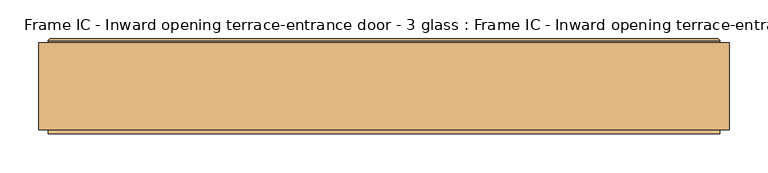
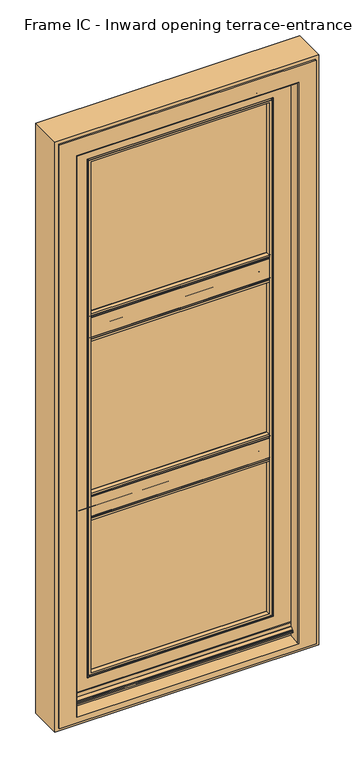
"""IFC4 building model written with IfcOpenShell, lengths in millimetres: door geometry, Frame IC - Inward opening terrace-entrance door - 3 glass : Frame IC - Inward opening terrace-entrance door - 3 glass."""

from ifc_helpers import new_model, si_unit, point, frame, frame_2d, origin, place, context, project, spatial, polyline, circle_curve, ellipse_curve, trimmed, segment, composite_curve, outline, extrude, source, transform, mapped, element, save
from ifc_brep_helpers import plane_surface, cylinder_surface, revolved_surface, advanced_brep


def frame_ic_inward_opening_terrace_entrance_door_3_glass_frame_be6dab0a(model_context):
    return source(origin(), model_context, "Body", "SolidModel", [
        extrude(outline(composite_curve([segment(polyline([(-75.0, 774.7548663), (-75.0, 681.2451337)]), True, "CONTINUOUS"), segment(trimmed(circle_curve(frame_2d((-78.0, 681.2451337)), 3.0), [point((-75.0, 681.2451337))], [point((-77.3762649, 678.3106909))], False, "CARTESIAN"), True, "CONTINUOUS"), segment(polyline([(-77.3762649, 678.3106909), (-85.7920883, 676.5218524)]), True, "CONTINUOUS"), segment(trimmed(circle_curve(frame_2d((-86.0, 677.5)), 1.0), [point((-85.7920883, 676.5218524))], [point((-87.0, 677.5))], False, "CARTESIAN"), True, "CONTINUOUS"), segment(polyline([(-87.0, 677.5), (-87.0, 676.5), (-90.0, 676.5), (-90.0, 694.8683537), (-138.0, 700.7620126), (-138.0, 676.5), (-139.3448353, 676.5), (-149.5, 679.6047454), (-149.5, 686.5358984)]), True, "CONTINUOUS"), segment(trimmed(circle_curve(frame_2d((-148.0, 686.5358984)), 1.5), [point((-149.5, 686.5358984))], [point((-148.75, 687.8349365))], False, "CARTESIAN"), True, "CONTINUOUS"), segment(trimmed(circle_curve(frame_2d((-150.0, 690.0)), 2.5), [point((-148.75, 687.8349365))], [point((-148.75, 692.1650635))], True, "CARTESIAN"), True, "CONTINUOUS"), segment(trimmed(circle_curve(frame_2d((-148.0, 693.4641016)), 1.5), [point((-148.75, 692.1650635))], [point((-149.5, 693.4641016))], False, "CARTESIAN"), True, "CONTINUOUS"), segment(polyline([(-149.5, 693.4641016), (-149.5, 762.5358984)]), True, "CONTINUOUS"), segment(trimmed(circle_curve(frame_2d((-148.0, 762.5358984)), 1.5), [point((-149.5, 762.5358984))], [point((-148.75, 763.8349365))], False, "CARTESIAN"), True, "CONTINUOUS"), segment(trimmed(circle_curve(frame_2d((-150.0, 766.0)), 2.5), [point((-148.75, 763.8349365))], [point((-148.75, 768.1650635))], True, "CARTESIAN"), True, "CONTINUOUS"), segment(trimmed(circle_curve(frame_2d((-148.0, 769.4641016)), 1.5), [point((-148.75, 768.1650635))], [point((-149.5, 769.4641016))], False, "CARTESIAN"), True, "CONTINUOUS"), segment(polyline([(-149.5, 769.4641016), (-149.5, 776.3952546), (-139.3448353, 779.5), (-138.0, 779.5), (-138.0, 755.2379874), (-90.0, 761.1316463), (-90.0, 779.5), (-87.0, 779.5), (-87.0, 778.5)]), True, "CONTINUOUS"), segment(trimmed(circle_curve(frame_2d((-86.0, 778.5)), 1.0), [point((-87.0, 778.5))], [point((-85.7920883, 779.4781476))], False, "CARTESIAN"), True, "CONTINUOUS"), segment(polyline([(-85.7920883, 779.4781476), (-77.3762649, 777.6893091)]), True, "CONTINUOUS"), segment(trimmed(circle_curve(frame_2d((-78.0, 774.7548663)), 3.0), [point((-77.3762649, 777.6893091))], [point((-75.0, 774.7548663))], False, "CARTESIAN"), True, "CONTINUOUS")], self_intersect=False)), frame((-304.0, 0.0, 0.0), z_axis=(1.0, 0.0, 0.0), x_axis=(0.0, 1.0, 0.0)), (0.0, 0.0, 1.0), 608.0),
        extrude(outline(composite_curve([segment(polyline([(-75.0, 1412.7548663), (-75.0, 1319.2451337)]), True, "CONTINUOUS"), segment(trimmed(circle_curve(frame_2d((-78.0, 1319.2451337)), 3.0), [point((-75.0, 1319.2451337))], [point((-77.3762649, 1316.3106909))], False, "CARTESIAN"), True, "CONTINUOUS"), segment(polyline([(-77.3762649, 1316.3106909), (-85.7920883, 1314.5218524)]), True, "CONTINUOUS"), segment(trimmed(circle_curve(frame_2d((-86.0, 1315.5)), 1.0), [point((-85.7920883, 1314.5218524))], [point((-87.0, 1315.5))], False, "CARTESIAN"), True, "CONTINUOUS"), segment(polyline([(-87.0, 1315.5), (-87.0, 1314.5), (-90.0, 1314.5), (-90.0, 1332.8683537), (-138.0, 1338.7620126), (-138.0, 1314.5), (-139.3448353, 1314.5), (-149.5, 1317.6047454), (-149.5, 1324.5358984)]), True, "CONTINUOUS"), segment(trimmed(circle_curve(frame_2d((-148.0, 1324.5358984)), 1.5), [point((-149.5, 1324.5358984))], [point((-148.75, 1325.8349365))], False, "CARTESIAN"), True, "CONTINUOUS"), segment(trimmed(circle_curve(frame_2d((-150.0, 1328.0)), 2.5), [point((-148.75, 1325.8349365))], [point((-148.75, 1330.1650635))], True, "CARTESIAN"), True, "CONTINUOUS"), segment(trimmed(circle_curve(frame_2d((-148.0, 1331.4641016)), 1.5), [point((-148.75, 1330.1650635))], [point((-149.5, 1331.4641016))], False, "CARTESIAN"), True, "CONTINUOUS"), segment(polyline([(-149.5, 1331.4641016), (-149.5, 1400.5358984)]), True, "CONTINUOUS"), segment(trimmed(circle_curve(frame_2d((-148.0, 1400.5358984)), 1.5), [point((-149.5, 1400.5358984))], [point((-148.75, 1401.8349365))], False, "CARTESIAN"), True, "CONTINUOUS"), segment(trimmed(circle_curve(frame_2d((-150.0, 1404.0)), 2.5), [point((-148.75, 1401.8349365))], [point((-148.75, 1406.1650635))], True, "CARTESIAN"), True, "CONTINUOUS"), segment(trimmed(circle_curve(frame_2d((-148.0, 1407.4641016)), 1.5), [point((-148.75, 1406.1650635))], [point((-149.5, 1407.4641016))], False, "CARTESIAN"), True, "CONTINUOUS"), segment(polyline([(-149.5, 1407.4641016), (-149.5, 1414.3952546), (-139.3448353, 1417.5), (-138.0, 1417.5), (-138.0, 1393.2379874), (-90.0, 1399.1316463), (-90.0, 1417.5), (-87.0, 1417.5), (-87.0, 1416.5)]), True, "CONTINUOUS"), segment(trimmed(circle_curve(frame_2d((-86.0, 1416.5)), 1.0), [point((-87.0, 1416.5))], [point((-85.7920883, 1417.4781476))], False, "CARTESIAN"), True, "CONTINUOUS"), segment(polyline([(-85.7920883, 1417.4781476), (-77.3762649, 1415.6893091)]), True, "CONTINUOUS"), segment(trimmed(circle_curve(frame_2d((-78.0, 1412.7548663)), 3.0), [point((-77.3762649, 1415.6893091))], [point((-75.0, 1412.7548663))], False, "CARTESIAN"), True, "CONTINUOUS")], self_intersect=False)), frame((-304.0, 0.0, 0.0), z_axis=(1.0, 0.0, 0.0), x_axis=(0.0, 1.0, 0.0)), (0.0, 0.0, 1.0), 608.0),
        advanced_brep(
        [(296.9926597, -139.5932909, 1952.9926597), (296.9926597, -139.5932909, 141.0073403), (300.2949184, -150.3944925, 137.7050816), (300.2949184, -150.3944925, 1956.2949184), (296.9926597, -138.3944925, 1952.9926597), (296.9926597, -138.3944925, 141.0073403), (315.4090274, -90.4055023, 1971.4090274), (315.4090274, -90.4055023, 122.5909726), (321.3013344, -138.3944925, 116.6986656), (321.3013344, -138.3944925, 1977.3013344), (-296.9926597, -139.5932909, 141.0073403), (-296.9926597, -139.5932909, 1952.9926597), (-300.2949184, -150.3944925, 1956.2949184), (-300.2949184, -150.3944925, 137.7050816), (-296.9926597, -138.3944925, 141.0073403), (-296.9926597, -138.3944925, 1952.9926597), (-315.4090274, -90.4055023, 122.5909726), (-315.4090274, -90.4055023, 1971.4090274), (-321.3013344, -138.3944925, 1977.3013344), (-321.3013344, -138.3944925, 116.6986656), (297.0406737, -87.2055023, 1953.0406737), (297.0406737, -87.2055023, 140.9593263), (297.0406737, -90.4055023, 140.9593263), (297.0406737, -90.4055023, 1953.0406737), (298.8106909, -77.7817672, 1954.8106909), (298.8106909, -77.7817672, 139.1893091), (297.0625261, -85.9975906, 140.9374739), (297.0625261, -85.9975906, 1953.0625261), (301.7451337, -75.4055023, 1957.7451337), (301.7451337, -75.4055023, 136.2548663), (-297.0406737, -87.2055023, 140.9593263), (-297.0406737, -87.2055023, 1953.0406737), (-297.0406737, -90.4055023, 1953.0406737), (-297.0406737, -90.4055023, 140.9593263), (-298.8106909, -77.7817672, 139.1893091), (-298.8106909, -77.7817672, 1954.8106909), (-297.0625261, -85.9975906, 1953.0625261), (-297.0625261, -85.9975906, 140.9374739), (-301.7451337, -75.4055023, 136.2548663), (-301.7451337, -75.4055023, 1957.7451337), (-399.9121488, -76.8192542, 38.0878512), (-399.9121488, -76.8192542, 2055.9121488), (-398.0, -75.4055023, 2054.0), (-398.0, -75.4055023, 40.0), (-399.5001156, -79.7926158, 38.4998844), (-399.5001156, -79.7926158, 2055.5001156), (-375.3208306, -138.4055023, 2031.3208306), (-391.0, -120.3834811, 2047.0), (-391.0, -120.3834811, 47.0), (-375.3208306, -138.4055023, 62.6791694), (399.9121488, -76.8192542, 2055.9121488), (398.0, -75.4055023, 2054.0), (399.5001156, -79.7926158, 2055.5001156), (375.3208306, -138.4055023, 2031.3208306), (391.0, -120.3834811, 2047.0), (-375.3208306, -150.3944925, 2031.3208306), (375.3208306, -150.3944925, 2031.3208306), (399.9121488, -76.8192542, 38.0878512), (398.0, -75.4055023, 40.0), (399.5001156, -79.7926158, 38.4998844), (375.3208306, -138.4055023, 62.6791694), (391.0, -120.3834811, 47.0), (-404.5001156, -81.2102522, 33.4998844), (-404.5001156, -81.2102522, 2060.5001156), (-404.5001156, -79.7926158, 2060.5001156), (-404.5001156, -79.7926158, 33.4998844), (-399.203249, -81.2102522, 2055.203249), (-399.203249, -81.2102522, 38.796751), (404.5001156, -81.2102522, 2060.5001156), (404.5001156, -79.7926158, 2060.5001156), (399.203249, -81.2102522, 2055.203249), (404.5001156, -81.2102522, 33.4998844), (404.5001156, -79.7926158, 33.4998844), (399.203249, -81.2102522, 38.796751), (-298.0406737, -87.2055023, 139.9593263), (-298.0406737, -87.2055023, 1954.0406737), (298.0406737, -87.2055023, 1954.0406737), (298.0406737, -87.2055023, 139.9593263), (375.3208306, -123.9638323, 50.1149077), (-375.3208306, -123.9638323, 50.1149077), (-307.2579784, -150.3944925, 130.7420216), (307.2579784, -150.3944925, 130.7420216), (307.2579784, -150.3944925, 1963.2579784), (-307.2579784, -150.3944925, 1963.2579784), (375.3208306, -160.3944925, 60.4377015), (-375.3208306, -160.3944925, 60.4377015), (-375.3208306, -159.9680695, 61.2568531), (375.3208306, -159.9680695, 61.2568531), (375.3208306, -160.3944925, 55.002476), (-375.3208306, -160.3944925, 55.002476), (375.3208306, -162.1944925, 56.9924509), (-375.3208306, -162.1944925, 56.9924509), (375.3208306, -162.1944925, 60.4377015), (-375.3208306, -162.1944925, 60.4377015), (375.3208306, -161.0005083, 62.731326), (-375.3208306, -161.0005083, 62.731326), (375.3208306, -152.6209154, 69.1983724), (-375.3208306, -152.6209154, 69.1983724), (375.3208306, -152.1944925, 70.017524), (-375.3208306, -152.1944925, 70.017524), (375.3208306, -152.1944925, 83.002476), (-375.3208306, -152.1944925, 83.002476), (375.3208306, -150.6944925, 84.502476), (-375.3208306, -150.6944925, 84.502476), (375.3208306, -150.3944925, 84.502476), (-375.3208306, -150.3944925, 84.502476), (375.3208306, -152.5151289, 50.1149077), (-375.3208306, -152.5151289, 50.1149077), (375.3208306, -152.5151289, 46.1106378), (-375.3208306, -152.5151289, 46.1106378), (375.3208306, -153.56673, 46.1106378), (-375.3208306, -153.56673, 46.1106378), (375.3208306, -153.56673, 50.1149077), (-375.3208306, -153.56673, 50.1149077), (375.3208306, -155.7944925, 50.1149077), (-375.3208306, -155.7944925, 50.1149077), (375.3208306, -156.7944925, 51.1149077), (-375.3208306, -156.7944925, 51.1149077), (375.3208306, -156.7944925, 63.7060974), (-375.3208306, -156.7944925, 63.7060974), (312.7057372, -149.6555023, 1968.7057372), (312.7057372, -149.6555023, 125.2942628), (313.8233689, -150.3944925, 124.1766311), (313.8233689, -150.3944925, 1969.8233689), (308.3756102, -149.6555023, 1964.3756102), (308.3756102, -149.6555023, 129.6243898), (-312.7057372, -149.6555023, 125.2942628), (-313.8233689, -150.3944925, 124.1766311), (-308.3756102, -149.6555023, 129.6243898), (-312.7057372, -149.6555023, 1968.7057372), (-313.8233689, -150.3944925, 1969.8233689), (-308.3756102, -149.6555023, 1964.3756102)],
        [
            (0, 1),
            (1, 2),
            (2, 3),
            (3, 0),
            (0, 4),
            (4, 5),
            (5, 1),
            (6, 7),
            (7, 8),
            (8, 9),
            (9, 6),
            (10, 11),
            (11, 12),
            (12, 13),
            (13, 10),
            (10, 14),
            (14, 15),
            (15, 11),
            (16, 17),
            (17, 18),
            (18, 19),
            (19, 16),
            (3, 12),
            (11, 0),
            (15, 4),
            (9, 18),
            (17, 6),
            (20, 21),
            (21, 22),
            (22, 23),
            (23, 20),
            (24, 25),
            (25, 26),
            (26, 27),
            (27, 24),
            (24, 28, ellipse_curve(frame((301.7451337, -78.4055023, 1957.7451337), z_axis=(0.7071067811865475, 0.0, -0.7071067811865475), x_axis=(0.7071067811865474, 0.0, 0.7071067811865476)), 4.2426407, 3.0)),
            (28, 29),
            (29, 25, ellipse_curve(frame((301.7451337, -78.4055023, 136.2548663), z_axis=(0.7071067811865475, 0.0, 0.7071067811865475), x_axis=(-0.7071067811865474, 0.0, 0.7071067811865476)), 4.2426407, 3.0)),
            (30, 31),
            (31, 32),
            (32, 33),
            (33, 30),
            (34, 35),
            (35, 36),
            (36, 37),
            (37, 34),
            (34, 38, ellipse_curve(frame((-301.7451337, -78.4055023, 136.2548663), z_axis=(-0.7071067811865475, 0.0, 0.7071067811865475), x_axis=(-0.7071067811865474, 0.0, -0.7071067811865476)), 4.2426407, 3.0)),
            (38, 39),
            (39, 35, ellipse_curve(frame((-301.7451337, -78.4055023, 1957.7451337), z_axis=(-0.7071067811865475, 0.0, -0.7071067811865475), x_axis=(0.7071067811865474, 0.0, -0.7071067811865476)), 4.2426407, 3.0)),
            (23, 32),
            (31, 20),
            (27, 36),
            (35, 24),
            (39, 28),
            (40, 41),
            (41, 42, ellipse_curve(frame((-398.0, -77.4055023, 2054.0), z_axis=(-0.7071067811865475, 0.0, -0.7071067811865475), x_axis=(0.7071067811865474, 0.0, -0.7071067811865476)), 2.8284271, 2.0)),
            (42, 43),
            (43, 40, ellipse_curve(frame((-398.0, -77.4055023, 40.0), z_axis=(-0.7071067811865475, 0.0, 0.7071067811865475), x_axis=(-0.7071067811865474, 0.0, -0.7071067811865476)), 2.8284271, 2.0)),
            (40, 44),
            (44, 45),
            (45, 41),
            (46, 47),
            (47, 48),
            (48, 49),
            (49, 46),
            (41, 50),
            (50, 51, ellipse_curve(frame((398.0, -77.4055023, 2054.0), z_axis=(-0.7071067811865475, 0.0, 0.7071067811865475), x_axis=(-0.7071067811865476, 0.0, -0.7071067811865474)), 2.8284271, 2.0)),
            (51, 42),
            (45, 52),
            (52, 50),
            (46, 53),
            (53, 54),
            (54, 47),
            (55, 56),
            (56, 53),
            (46, 55),
            (50, 57),
            (57, 58, ellipse_curve(frame((398.0, -77.4055023, 40.0), z_axis=(0.7071067811865475, 0.0, 0.7071067811865475), x_axis=(-0.7071067811865474, 0.0, 0.7071067811865476)), 2.8284271, 2.0)),
            (58, 51),
            (52, 59),
            (59, 57),
            (60, 61),
            (61, 54),
            (53, 60),
            (62, 63),
            (63, 64),
            (64, 65),
            (65, 62),
            (47, 66),
            (66, 67),
            (67, 48),
            (63, 68),
            (68, 69),
            (69, 64),
            (54, 70),
            (70, 66),
            (68, 71),
            (71, 72),
            (72, 69),
            (61, 73),
            (73, 70),
            (16, 7),
            (22, 33),
            (21, 30),
            (74, 75),
            (75, 76),
            (76, 77),
            (77, 74),
            (25, 34),
            (37, 26),
            (29, 38),
            (58, 43),
            (57, 40),
            (59, 44),
            (72, 65),
            (71, 62),
            (73, 67),
            (61, 48),
            (60, 78),
            (78, 79),
            (79, 49),
            (80, 81),
            (81, 82),
            (82, 83),
            (83, 80),
            (2, 13),
            (1, 10),
            (5, 14),
            (8, 19),
            (26, 77, ellipse_curve(frame((298.0406737, -86.2055023, 139.9593263), z_axis=(0.7071067811865475, 0.0, 0.7071067811865475), x_axis=(-0.7071067811865474, 0.0, 0.7071067811865476)), 1.4142136, 1.0)),
            (76, 27, ellipse_curve(frame((298.0406737, -86.2055023, 1954.0406737), z_axis=(0.7071067811865475, 0.0, -0.7071067811865475), x_axis=(0.7071067811865474, 0.0, 0.7071067811865476)), 1.4142136, 1.0)),
            (37, 74, ellipse_curve(frame((-298.0406737, -86.2055023, 139.9593263), z_axis=(0.7071067811865475, 0.0, -0.7071067811865475), x_axis=(0.7071067811865476, 0.0, 0.7071067811865474)), 1.4142136, 1.0)),
            (36, 75, ellipse_curve(frame((-298.0406737, -86.2055023, 1954.0406737), z_axis=(-0.7071067811865475, 0.0, -0.7071067811865475), x_axis=(0.7071067811865474, 0.0, -0.7071067811865476)), 1.4142136, 1.0)),
            (84, 85),
            (85, 86, circle_curve(frame((-375.3208306, -159.3944925, 60.4377015), z_axis=(-1.0, 0.0, 0.0), x_axis=(0.0, -1.0, 0.0)), 1.0)),
            (86, 87),
            (87, 84, circle_curve(frame((375.3208306, -159.3944925, 60.4377015), z_axis=(1.0, 0.0, 0.0), x_axis=(0.0, -1.0, 0.0)), 1.0)),
            (88, 89),
            (89, 85),
            (84, 88),
            (90, 91),
            (91, 89, circle_curve(frame((-375.3208306, -162.3944925, 55.002476), z_axis=(1.0, 0.0, 0.0), x_axis=(0.0, -1.0, 0.0)), 2.0)),
            (88, 90, circle_curve(frame((375.3208306, -162.3944925, 55.002476), z_axis=(-1.0, 0.0, 0.0), x_axis=(0.0, -1.0, 0.0)), 2.0)),
            (92, 93),
            (93, 91),
            (90, 92),
            (94, 95),
            (95, 93, circle_curve(frame((-375.3208306, -159.3944925, 60.4377015), z_axis=(1.0, 0.0, 0.0), x_axis=(0.0, -1.0, 0.0)), 2.8)),
            (92, 94, circle_curve(frame((375.3208306, -159.3944925, 60.4377015), z_axis=(-1.0, 0.0, 0.0), x_axis=(0.0, -1.0, 0.0)), 2.8)),
            (96, 97),
            (97, 95),
            (94, 96),
            (98, 99),
            (99, 97, circle_curve(frame((-375.3208306, -153.1944925, 70.017524), z_axis=(-1.0, 0.0, 0.0), x_axis=(0.0, -1.0, 0.0)), 1.0)),
            (96, 98, circle_curve(frame((375.3208306, -153.1944925, 70.017524), z_axis=(1.0, 0.0, 0.0), x_axis=(0.0, -1.0, 0.0)), 1.0)),
            (100, 101),
            (101, 99),
            (98, 100),
            (102, 103),
            (103, 101, circle_curve(frame((-375.3208306, -150.6944925, 83.002476), z_axis=(1.0, 0.0, 0.0), x_axis=(0.0, -1.0, 0.0)), 1.5)),
            (100, 102, circle_curve(frame((375.3208306, -150.6944925, 83.002476), z_axis=(-1.0, 0.0, 0.0), x_axis=(0.0, -1.0, 0.0)), 1.5)),
            (102, 104),
            (104, 105),
            (105, 103),
            (106, 107),
            (107, 79),
            (78, 106),
            (108, 109),
            (109, 107),
            (106, 108),
            (110, 111),
            (111, 109),
            (108, 110),
            (112, 113),
            (113, 111),
            (110, 112),
            (114, 115),
            (115, 113),
            (112, 114),
            (116, 117),
            (117, 115, circle_curve(frame((-375.3208306, -155.7944925, 51.1149077), z_axis=(1.0, 0.0, 0.0), x_axis=(0.0, -1.0, 0.0)), 1.0)),
            (114, 116, circle_curve(frame((375.3208306, -155.7944925, 51.1149077), z_axis=(-1.0, 0.0, 0.0), x_axis=(0.0, -1.0, 0.0)), 1.0)),
            (118, 119),
            (119, 117),
            (116, 118),
            (86, 119),
            (118, 87),
            (56, 104),
            (105, 55),
            (120, 121),
            (121, 122, ellipse_curve(frame((314.0047753, -148.9055023, 123.9952247), z_axis=(0.7071067811865475, 0.0, 0.7071067811865475), x_axis=(-0.7071067811865474, 0.0, 0.7071067811865476)), 2.1213203, 1.5)),
            (122, 123),
            (123, 120, ellipse_curve(frame((314.0047753, -148.9055023, 1970.0047753), z_axis=(0.7071067811865475, 0.0, -0.7071067811865475), x_axis=(0.7071067811865474, 0.0, 0.7071067811865476)), 2.1213203, 1.5)),
            (120, 124, ellipse_curve(frame((310.5406737, -150.9055023, 1966.5406737), z_axis=(-0.7071067811865475, 0.0, 0.7071067811865475), x_axis=(-0.7071067811865474, 0.0, -0.7071067811865476)), 3.5355339, 2.5)),
            (124, 125),
            (125, 121, ellipse_curve(frame((310.5406737, -150.9055023, 127.4593263), z_axis=(-0.7071067811865475, 0.0, -0.7071067811865475), x_axis=(0.7071067811865474, 0.0, -0.7071067811865476)), 3.5355339, 2.5)),
            (81, 125, ellipse_curve(frame((307.0765721, -148.9055023, 130.9234279), z_axis=(0.7071067811865475, 0.0, 0.7071067811865475), x_axis=(-0.7071067811865474, 0.0, 0.7071067811865476)), 2.1213203, 1.5)),
            (124, 82, ellipse_curve(frame((307.0765721, -148.9055023, 1963.0765721), z_axis=(0.7071067811865475, 0.0, -0.7071067811865475), x_axis=(0.7071067811865474, 0.0, 0.7071067811865476)), 2.1213203, 1.5)),
            (121, 126),
            (126, 127, ellipse_curve(frame((-314.0047753, -148.9055023, 123.9952247), z_axis=(0.7071067811865475, 0.0, -0.7071067811865475), x_axis=(0.7071067811865476, 0.0, 0.7071067811865474)), 2.1213203, 1.5)),
            (127, 122),
            (125, 128),
            (128, 126, ellipse_curve(frame((-310.5406737, -150.9055023, 127.4593263), z_axis=(-0.7071067811865475, 0.0, 0.7071067811865475), x_axis=(-0.7071067811865476, 0.0, -0.7071067811865474)), 3.5355339, 2.5)),
            (80, 128, ellipse_curve(frame((-307.0765721, -148.9055023, 130.9234279), z_axis=(0.7071067811865475, 0.0, -0.7071067811865475), x_axis=(0.7071067811865476, 0.0, 0.7071067811865474)), 2.1213203, 1.5)),
            (126, 129),
            (129, 130, ellipse_curve(frame((-314.0047753, -148.9055023, 1970.0047753), z_axis=(-0.7071067811865475, 0.0, -0.7071067811865475), x_axis=(0.7071067811865474, 0.0, -0.7071067811865476)), 2.1213203, 1.5)),
            (130, 127),
            (128, 131),
            (131, 129, ellipse_curve(frame((-310.5406737, -150.9055023, 1966.5406737), z_axis=(0.7071067811865475, 0.0, 0.7071067811865475), x_axis=(-0.7071067811865474, 0.0, 0.7071067811865476)), 3.5355339, 2.5)),
            (83, 131, ellipse_curve(frame((-307.0765721, -148.9055023, 1963.0765721), z_axis=(-0.7071067811865475, 0.0, -0.7071067811865475), x_axis=(0.7071067811865474, 0.0, -0.7071067811865476)), 2.1213203, 1.5)),
            (130, 123),
            (129, 120),
            (131, 124),
        ],
        [
            plane_surface(frame((300.2949184, -150.3944925, 1956.2949184), z_axis=(-0.9563047559629781, -0.2923717047229243, 0.0), x_axis=(0.0, 0.0, -1.0))),
            plane_surface(frame((296.9926597, -139.5932909, 1952.9926597), z_axis=(-1.0, 0.0, 0.0), x_axis=(0.0, 0.0, -1.0))),
            plane_surface(frame((321.3013344, -138.3944925, 1977.3013344), z_axis=(-0.9925461516413226, -0.12186934340514295, 0.0), x_axis=(0.0, 0.0, -1.0))),
            plane_surface(frame((-300.2949184, -150.3944925, 137.7050816), z_axis=(0.9563047559629781, -0.2923717047229243, 0.0), x_axis=(0.0, 0.0, 1.0))),
            plane_surface(frame((-296.9926597, -139.5932909, 141.0073403), z_axis=(1.0, 0.0, 0.0), x_axis=(0.0, 0.0, 1.0))),
            plane_surface(frame((-321.3013344, -138.3944925, 116.6986656), z_axis=(0.9925461516413226, -0.12186934340514295, 0.0), x_axis=(0.0, 0.0, 1.0))),
            plane_surface(frame((-300.2949184, -150.3944925, 1956.2949184), z_axis=(0.0, -0.2923717047229243, -0.9563047559629781), x_axis=(1.0, 0.0, 0.0))),
            plane_surface(frame((-296.9926597, -139.5932909, 1952.9926597), z_axis=(0.0, 0.0, -1.0), x_axis=(1.0, 0.0, 0.0))),
            plane_surface(frame((-321.3013344, -138.3944925, 1977.3013344), z_axis=(0.0, -0.12186934340514295, -0.9925461516413226), x_axis=(1.0, 0.0, 0.0))),
            plane_surface(frame((297.0406737, -90.4055023, 1953.0406737), z_axis=(-1.0, 0.0, 0.0), x_axis=(0.0, 0.0, -1.0))),
            plane_surface(frame((297.0625261, -85.9975906, 1953.0625261), z_axis=(-0.9781030866126861, 0.20812100316579396, 0.0), x_axis=(0.0, 0.0, -1.0))),
            cylinder_surface(frame((301.7451337, -78.4055023, 2047.0), z_axis=(0.0, 0.0, 1.0), x_axis=(0.0, 1.0, 0.0)), 3.0),
            plane_surface(frame((-297.0406737, -90.4055023, 140.9593263), z_axis=(1.0, 0.0, 0.0), x_axis=(0.0, 0.0, 1.0))),
            plane_surface(frame((-297.0625261, -85.9975906, 140.9374739), z_axis=(0.9781030866126861, 0.20812100316579396, 0.0), x_axis=(0.0, 0.0, 1.0))),
            cylinder_surface(frame((-301.7451337, -78.4055023, 47.0), z_axis=(0.0, 0.0, -1.0), x_axis=(0.0, 1.0, 0.0)), 3.0),
            plane_surface(frame((-297.0406737, -90.4055023, 1953.0406737), z_axis=(0.0, 0.0, -1.0), x_axis=(1.0, 0.0, 0.0))),
            plane_surface(frame((-297.0625261, -85.9975906, 1953.0625261), z_axis=(0.0, 0.20812100316579396, -0.9781030866126861), x_axis=(1.0, 0.0, 0.0))),
            cylinder_surface(frame((-391.0, -78.4055023, 1957.7451337), z_axis=(-1.0, 0.0, 0.0), x_axis=(0.0, 1.0, 0.0)), 3.0),
            cylinder_surface(frame((-398.0, -77.4055023, 47.0), z_axis=(0.0, 0.0, -1.0), x_axis=(0.0, 1.0, 0.0)), 2.0),
            plane_surface(frame((-399.9121488, -76.8192542, 38.0878512), z_axis=(-0.9905346082141253, -0.13726321404545822, 0.0), x_axis=(0.0, 0.0, 1.0))),
            plane_surface(frame((-391.0, -120.3834811, 47.0), z_axis=(-0.7544428510124654, -0.6563657399317723, 0.0), x_axis=(0.0, 0.0, 1.0))),
            cylinder_surface(frame((-391.0, -77.4055023, 2054.0), z_axis=(-1.0, 0.0, 0.0), x_axis=(0.0, 1.0, 0.0)), 2.0),
            plane_surface(frame((-399.9121488, -76.8192542, 2055.9121488), z_axis=(0.0, -0.13726321404545822, 0.9905346082141253), x_axis=(1.0, 0.0, 0.0))),
            plane_surface(frame((-391.0, -120.3834811, 2047.0), z_axis=(0.0, -0.6563657399317723, 0.7544428510124654), x_axis=(1.0, 0.0, 0.0))),
            plane_surface(frame((-375.3208306, -138.4055023, 2031.3208306), z_axis=(0.0, 0.0, 1.0), x_axis=(1.0, 0.0, 0.0))),
            cylinder_surface(frame((398.0, -77.4055023, 2047.0), z_axis=(0.0, 0.0, 1.0), x_axis=(0.0, 1.0, 0.0)), 2.0),
            plane_surface(frame((399.9121488, -76.8192542, 2055.9121488), z_axis=(0.9905346082141253, -0.13726321404545822, 0.0), x_axis=(0.0, 0.0, -1.0))),
            plane_surface(frame((391.0, -120.3834811, 2047.0), z_axis=(0.7544428510124654, -0.6563657399317723, 0.0), x_axis=(0.0, 0.0, -1.0))),
            plane_surface(frame((-404.5001156, -79.7926158, 33.4998844), z_axis=(-1.0, 0.0, 0.0), x_axis=(0.0, 0.0, 1.0))),
            plane_surface(frame((-399.203249, -81.2102522, 38.796751), z_axis=(-0.9787695724707861, -0.20496371387480936, 0.0), x_axis=(0.0, 0.0, 1.0))),
            plane_surface(frame((-404.5001156, -79.7926158, 2060.5001156), z_axis=(0.0, 0.0, 1.0), x_axis=(1.0, 0.0, 0.0))),
            plane_surface(frame((-399.203249, -81.2102522, 2055.203249), z_axis=(0.0, -0.20496371387480936, 0.9787695724707861), x_axis=(1.0, 0.0, 0.0))),
            plane_surface(frame((404.5001156, -79.7926158, 2060.5001156), z_axis=(1.0, 0.0, 0.0), x_axis=(0.0, 0.0, -1.0))),
            plane_surface(frame((399.203249, -81.2102522, 2055.203249), z_axis=(0.9787695724707861, -0.20496371387480936, 0.0), x_axis=(0.0, 0.0, -1.0))),
            plane_surface(frame((315.4090274, -90.4055023, 122.5909726), z_axis=(0.0, -1.0, 0.0), x_axis=(-1.0, 0.0, 0.0))),
            plane_surface(frame((297.0406737, -90.4055023, 140.9593263), z_axis=(0.0, 0.0, 1.0), x_axis=(-1.0, 0.0, 0.0))),
            plane_surface(frame((297.0406737, -87.2055023, 140.9593263), z_axis=(0.0, 1.0, 0.0), x_axis=(-1.0, 0.0, 0.0))),
            plane_surface(frame((297.0625261, -85.9975906, 140.9374739), z_axis=(0.0, 0.20812100316579396, 0.9781030866126861), x_axis=(-1.0, 0.0, 0.0))),
            cylinder_surface(frame((391.0, -78.4055023, 136.2548663), z_axis=(1.0, 0.0, 0.0), x_axis=(0.0, 1.0, 0.0)), 3.0),
            plane_surface(frame((301.7451337, -75.4055023, 136.2548663), z_axis=(0.0, 1.0, 0.0), x_axis=(-1.0, 0.0, 0.0))),
            cylinder_surface(frame((391.0, -77.4055023, 40.0), z_axis=(1.0, 0.0, 0.0), x_axis=(0.0, 1.0, 0.0)), 2.0),
            plane_surface(frame((399.9121488, -76.8192542, 38.0878512), z_axis=(0.0, -0.13726321404545822, -0.9905346082141253), x_axis=(-1.0, 0.0, 0.0))),
            plane_surface(frame((399.5001156, -79.7926158, 38.4998844), z_axis=(0.0, 1.0, 0.0), x_axis=(-1.0, 0.0, 0.0))),
            plane_surface(frame((404.5001156, -79.7926158, 33.4998844), z_axis=(0.0, 0.0, -1.0), x_axis=(-1.0, 0.0, 0.0))),
            plane_surface(frame((404.5001156, -81.2102522, 33.4998844), z_axis=(0.0, -1.0, 0.0), x_axis=(-1.0, 0.0, 0.0))),
            plane_surface(frame((399.203249, -81.2102522, 38.796751), z_axis=(0.0, -0.20496371387480936, -0.9787695724707861), x_axis=(-1.0, 0.0, 0.0))),
            plane_surface(frame((391.0, -120.3834811, 47.0), z_axis=(0.0, -0.6563657399317723, -0.7544428510124654), x_axis=(-1.0, 0.0, 0.0))),
            plane_surface(frame((307.2579784, -150.3944925, 130.7420216), z_axis=(0.0, -1.0, 0.0), x_axis=(-1.0, 0.0, 0.0))),
            plane_surface(frame((300.2949184, -150.3944925, 137.7050816), z_axis=(0.0, -0.2923717047229243, 0.9563047559629781), x_axis=(-1.0, 0.0, 0.0))),
            plane_surface(frame((296.9926597, -139.5932909, 141.0073403), z_axis=(0.0, 0.0, 1.0), x_axis=(-1.0, 0.0, 0.0))),
            plane_surface(frame((296.9926597, -138.3944925, 141.0073403), z_axis=(0.0, 1.0, 0.0), x_axis=(-1.0, 0.0, 0.0))),
            plane_surface(frame((321.3013344, -138.3944925, 116.6986656), z_axis=(0.0, -0.12186934340514295, 0.9925461516413226), x_axis=(-1.0, 0.0, 0.0))),
            cylinder_surface(frame((298.0406737, -86.2055023, 2047.0), z_axis=(0.0, 0.0, 1.0), x_axis=(0.0, 1.0, 0.0)), 1.0),
            cylinder_surface(frame((391.0, -86.2055023, 139.9593263), z_axis=(1.0, 0.0, 0.0), x_axis=(0.0, 1.0, 0.0)), 1.0),
            cylinder_surface(frame((-298.0406737, -86.2055023, 47.0), z_axis=(0.0, 0.0, -1.0), x_axis=(0.0, 1.0, 0.0)), 1.0),
            cylinder_surface(frame((-391.0, -86.2055023, 1954.0406737), z_axis=(-1.0, 0.0, 0.0), x_axis=(0.0, 1.0, 0.0)), 1.0),
            revolved_surface(polyline([(-375.3208306, -160.3944925, 60.4377015), (375.3208306, -160.3944925, 60.4377015)]), (-375.3208306, -159.3944925, 60.4377015), (-1.0, 0.0, 0.0)),
            plane_surface(frame((375.3208306, -160.3944925, 60.4377015), z_axis=(0.0, 1.0, 0.0), x_axis=(-1.0, 0.0, 0.0))),
            cylinder_surface(frame((-375.3208306, -162.3944925, 55.002476), z_axis=(1.0, 0.0, 0.0), x_axis=(0.0, -1.0, 0.0)), 2.0),
            plane_surface(frame((375.3208306, -162.1944925, 56.9924509), z_axis=(0.0, -1.0, 0.0), x_axis=(-1.0, 0.0, 0.0))),
            cylinder_surface(frame((-375.3208306, -159.3944925, 60.4377015), z_axis=(1.0, 0.0, 0.0), x_axis=(0.0, -1.0, 0.0)), 2.8),
            plane_surface(frame((375.3208306, -161.0005083, 62.731326), z_axis=(0.0, -0.6109686302761946, 0.7916548066035036), x_axis=(-1.0, 0.0, 0.0))),
            revolved_surface(polyline([(-375.3208306, -154.1944925, 70.017524), (375.3208306, -154.1944925, 70.017524)]), (-375.3208306, -153.1944925, 70.017524), (-1.0, 0.0, 0.0)),
            plane_surface(frame((375.3208306, -152.1944925, 70.017524), z_axis=(0.0, -1.0, 0.0), x_axis=(-1.0, 0.0, 0.0))),
            cylinder_surface(frame((-375.3208306, -150.6944925, 83.002476), z_axis=(1.0, 0.0, 0.0), x_axis=(0.0, -1.0, 0.0)), 1.5),
            plane_surface(frame((375.3208306, -150.6944925, 84.502476), z_axis=(0.0, 0.0, 1.0), x_axis=(-1.0, 0.0, 0.0))),
            plane_surface(frame((375.3208306, -123.9638323, 50.1149077), z_axis=(0.0, 0.0, -1.0), x_axis=(-1.0, 0.0, 0.0))),
            plane_surface(frame((375.3208306, -152.5151289, 50.1149077), z_axis=(0.0, 1.0, 0.0), x_axis=(-1.0, 0.0, 0.0))),
            plane_surface(frame((375.3208306, -152.5151289, 46.1106378), z_axis=(0.0, 0.0, -1.0), x_axis=(-1.0, 0.0, 0.0))),
            plane_surface(frame((375.3208306, -153.56673, 46.1106378), z_axis=(0.0, -1.0, 0.0), x_axis=(-1.0, 0.0, 0.0))),
            plane_surface(frame((375.3208306, -153.56673, 50.1149077), z_axis=(0.0, 0.0, -1.0), x_axis=(-1.0, 0.0, 0.0))),
            cylinder_surface(frame((-375.3208306, -155.7944925, 51.1149077), z_axis=(1.0, 0.0, 0.0), x_axis=(0.0, -1.0, 0.0)), 1.0),
            plane_surface(frame((375.3208306, -156.7944925, 51.1149077), z_axis=(0.0, -1.0, 0.0), x_axis=(-1.0, 0.0, 0.0))),
            plane_surface(frame((375.3208306, -156.7944925, 63.7060974), z_axis=(0.0, 0.6109686302761956, -0.7916548066035027), x_axis=(-1.0, 0.0, 0.0))),
            plane_surface(frame((375.3208306, -160.3944925, 60.4377015), z_axis=(1.0, 0.0, 0.0), x_axis=(0.0, 0.0, -1.0))),
            plane_surface(frame((-375.3208306, -160.3944925, 60.4377015), z_axis=(-1.0, 0.0, 0.0), x_axis=(0.0, 0.0, 1.0))),
            cylinder_surface(frame((314.0047753, -148.9055023, 2047.0), z_axis=(0.0, 0.0, 1.0), x_axis=(0.0, 1.0, 0.0)), 1.5),
            revolved_surface(polyline([(310.5406737, -148.4055023, 124.95932630419497), (310.5406737, -148.4055023, 1969.040673695805)]), (310.5406737, -150.9055023, 2047.0), (0.0, 0.0, -1.0)),
            cylinder_surface(frame((307.0765721, -148.9055023, 2047.0), z_axis=(0.0, 0.0, 1.0), x_axis=(0.0, 1.0, 0.0)), 1.5),
            cylinder_surface(frame((391.0, -148.9055023, 123.9952247), z_axis=(1.0, 0.0, 0.0), x_axis=(0.0, 1.0, 0.0)), 1.5),
            revolved_surface(polyline([(-313.040673695805, -148.4055023, 127.4593263), (313.0406736958049, -148.4055023, 127.4593263)]), (391.0, -150.9055023, 127.4593263), (-1.0, 0.0, 0.0)),
            cylinder_surface(frame((391.0, -148.9055023, 130.9234279), z_axis=(1.0, 0.0, 0.0), x_axis=(0.0, 1.0, 0.0)), 1.5),
            cylinder_surface(frame((-314.0047753, -148.9055023, 47.0), z_axis=(0.0, 0.0, -1.0), x_axis=(0.0, 1.0, 0.0)), 1.5),
            revolved_surface(polyline([(-310.5406737, -148.4055023, 1969.040673695805), (-310.5406737, -148.4055023, 124.95932630419509)]), (-310.5406737, -150.9055023, 47.0), (0.0, 0.0, 1.0)),
            cylinder_surface(frame((-307.0765721, -148.9055023, 47.0), z_axis=(0.0, 0.0, -1.0), x_axis=(0.0, 1.0, 0.0)), 1.5),
            plane_surface(frame((-375.3208306, -150.3944925, 2031.3208306), z_axis=(0.0, -1.0, 0.0), x_axis=(1.0, 0.0, 0.0))),
            cylinder_surface(frame((-391.0, -148.9055023, 1970.0047753), z_axis=(-1.0, 0.0, 0.0), x_axis=(0.0, 1.0, 0.0)), 1.5),
            revolved_surface(polyline([(313.040673695805, -148.4055023, 1966.5406737), (-313.0406736958049, -148.4055023, 1966.5406737)]), (-391.0, -150.9055023, 1966.5406737), (1.0, 0.0, 0.0)),
            cylinder_surface(frame((-391.0, -148.9055023, 1963.0765721), z_axis=(-1.0, 0.0, 0.0), x_axis=(0.0, 1.0, 0.0)), 1.5),
        ],
        [
            (0, [[1, 2, 3, 4]]),
            (1, [[5, 6, 7, -1]]),
            (2, [[8, 9, 10, 11]]),
            (3, [[12, 13, 14, 15]]),
            (4, [[16, 17, 18, -12]]),
            (5, [[19, 20, 21, 22]]),
            (6, [[23, -13, 24, -4]]),
            (7, [[-24, -18, 25, -5]]),
            (8, [[26, -20, 27, -11]]),
            (9, [[28, 29, 30, 31]]),
            (10, [[32, 33, 34, 35]]),
            (11, [[36, 37, 38, -32]]),
            (12, [[39, 40, 41, 42]]),
            (13, [[43, 44, 45, 46]]),
            (14, [[47, 48, 49, -43]]),
            (15, [[50, -40, 51, -31]]),
            (16, [[52, -44, 53, -35]]),
            (17, [[-53, -49, 54, -36]]),
            (18, [[55, 56, 57, 58]]),
            (19, [[59, 60, 61, -55]]),
            (20, [[62, 63, 64, 65]]),
            (21, [[66, 67, 68, -56]]),
            (22, [[69, 70, -66, -61]]),
            (23, [[71, 72, 73, -62]]),
            (24, [[74, 75, -71, 76]]),
            (25, [[77, 78, 79, -67]]),
            (26, [[80, 81, -77, -70]]),
            (27, [[82, 83, -72, 84]]),
            (28, [[85, 86, 87, 88]]),
            (29, [[89, 90, 91, -63]]),
            (30, [[92, 93, 94, -86]]),
            (31, [[95, 96, -89, -73]]),
            (32, [[97, 98, 99, -93]]),
            (33, [[100, 101, -95, -83]]),
            (34, [[-27, -19, 102, -8], [103, -41, -50, -30]]),
            (35, [[104, -42, -103, -29]]),
            (36, [[105, 106, 107, 108], [-51, -39, -104, -28]]),
            (37, [[109, -46, 110, -33]]),
            (38, [[111, -47, -109, -38]]),
            (39, [[-68, -79, 112, -57], [-54, -48, -111, -37]]),
            (40, [[-112, -78, 113, -58]]),
            (41, [[-113, -81, 114, -59]]),
            (42, [[-94, -99, 115, -87], [-114, -80, -69, -60]]),
            (43, [[-115, -98, 116, -88]]),
            (44, [[-116, -97, -92, -85], [-96, -101, 117, -90]]),
            (45, [[-117, -100, 118, -91]]),
            (46, [[-118, -82, 119, 120, 121, -64]]),
            (47, [[122, 123, 124, 125], [126, -14, -23, -3]]),
            (48, [[127, -15, -126, -2]]),
            (49, [[128, -16, -127, -7]]),
            (50, [[129, -21, -26, -10], [-25, -17, -128, -6]]),
            (51, [[-102, -22, -129, -9]]),
            (52, [[130, -107, 131, -34]]),
            (53, [[-130, -110, 132, -108]]),
            (54, [[133, -105, -132, -45]]),
            (55, [[-131, -106, -133, -52]]),
            (56, [[134, 135, 136, 137]]),
            (57, [[138, 139, -134, 140]]),
            (58, [[141, 142, -138, 143]]),
            (59, [[144, 145, -141, 146]]),
            (60, [[147, 148, -144, 149]]),
            (61, [[150, 151, -147, 152]]),
            (62, [[153, 154, -150, 155]]),
            (63, [[156, 157, -153, 158]]),
            (64, [[159, 160, -156, 161]]),
            (65, [[162, 163, 164, -159]]),
            (66, [[165, 166, -120, 167]]),
            (67, [[168, 169, -165, 170]]),
            (68, [[171, 172, -168, 173]]),
            (69, [[174, 175, -171, 176]]),
            (70, [[177, 178, -174, 179]]),
            (71, [[180, 181, -177, 182]]),
            (72, [[183, 184, -180, 185]]),
            (73, [[-136, 186, -183, 187]]),
            (74, [[-187, -185, -182, -179, -176, -173, -170, -167, -119, -84, -75, 188, -162, -161, -158, -155, -152, -149, -146, -143, -140, -137]]),
            (75, [[-135, -139, -142, -145, -148, -151, -154, -157, -160, -164, 189, -76, -65, -121, -166, -169, -172, -175, -178, -181, -184, -186]]),
            (76, [[190, 191, 192, 193]]),
            (77, [[194, 195, 196, -190]]),
            (78, [[197, -195, 198, -123]]),
            (79, [[199, 200, 201, -191]]),
            (80, [[202, 203, -199, -196]]),
            (81, [[204, -202, -197, -122]]),
            (82, [[205, 206, 207, -200]]),
            (83, [[208, 209, -205, -203]]),
            (84, [[210, -208, -204, -125]]),
            (85, [[-189, -163, -188, -74], [-201, -207, 211, -192]]),
            (86, [[-211, -206, 212, -193]]),
            (87, [[-212, -209, 213, -194]]),
            (88, [[-198, -213, -210, -124]]),
        ],
    ),
        extrude(outline(polyline([(367.9491592, -90.4055023), (367.9491592, -138.4055023), (-367.9491592, -138.4055023), (-367.9491592, -90.4055023), (367.9491592, -90.4055023)])), frame((0.0, 0.0, 76.0508408), z_axis=(0.0, 0.0, 1.0), x_axis=(1.0, 0.0, 0.0)), (0.0, 0.0, 1.0), 1947.8983184),
        advanced_brep(
        [(-406.7857488, -72.0, 12.0), (-406.7857488, -79.745519, 12.0), (-406.7857488, -79.745519, 31.4059255), (-406.7857488, -72.0, 31.0), (408.8540454, -72.0, 31.0), (408.8540454, -72.0, 12.0), (-401.6568628, -121.5169433, 33.595073), (-385.5883815, -135.0, 34.3016901), (385.5883815, -135.0, 34.3016901), (401.6568628, -121.5169433, 33.595073), (407.4133163, -74.634392, 31.1380626), (408.8540454, -72.4235859, 31.0221992), (-401.6568628, -121.5169433, 2057.6568628), (-407.4133163, -74.634392, 12.0), (-407.4133163, -74.634392, 2063.4133163), (408.8540454, -72.4235859, 12.0), (410.3909547, -72.0, 12.0), (428.9999995, -72.0, 12.0), (432.0, -75.0000005, 12.0), (432.0, -194.0, 12.0), (-432.0, -194.0, 12.0), (-432.0, -75.0000005, 12.0), (-428.9999995, -72.0, 12.0), (-410.3909547, -72.0, 12.0), (407.4133163, -74.634392, 2063.4133163), (410.3909547, -72.0, 2066.3909547), (-432.0, -194.0, 2088.0), (-432.0, -75.0000005, 2088.0), (432.0, -194.0, 2088.0), (-373.9, -194.0, 31.0), (-373.9, -194.0, 2029.9), (373.9, -194.0, 2029.9), (373.9, -194.0, 31.0), (432.0, -75.0000005, 2088.0), (371.9, -192.0, 31.2455691), (371.9, -154.2109894, 35.8854762), (381.9999997, -154.2109894, 35.8854762), (381.9999997, -151.0, 36.2797361), (-381.9999997, -151.0, 36.2797361), (-381.9999997, -154.2109894, 35.8854762), (-371.9, -154.2109894, 35.8854762), (-371.9, -192.0, 31.2455691), (371.9, -192.0, 2027.9), (-371.9, -192.0, 2027.9), (-410.3909547, -72.0, 2066.3909547), (-428.9999995, -72.0, 2084.9999995), (428.9999995, -72.0, 2084.9999995), (401.6568628, -121.5169433, 2057.6568628), (385.5883815, -135.0, 46.0), (381.9999997, -138.0110098, 46.0), (381.9999997, -138.0110098, 2037.9999997), (-385.5883815, -135.0, 46.0), (-381.9999997, -138.0110098, 2037.9999997), (-381.9999997, -138.0110098, 46.0), (-381.9999997, -151.0, 46.0), (381.9999997, -151.0, 46.0), (381.9999997, -154.2109894, 2037.9999997), (-381.9999997, -154.2109894, 2037.9999997), (-371.9, -154.2109894, 2027.9), (371.9, -154.2109894, 2027.9)],
        [
            (0, 1),
            (1, 2),
            (2, 3),
            (3, 0),
            (3, 4),
            (4, 5),
            (5, 0),
            (2, 6),
            (6, 7),
            (7, 8),
            (8, 9),
            (9, 10),
            (10, 11, ellipse_curve(frame((410.3909547, -75.0, 31.1572233), z_axis=(0.0, -0.0523359562430015, -0.9986295347545708), x_axis=(0.0, 0.9986295347545708, -0.05233595624300117)), 3.004117, 3.0)),
            (11, 4),
            (12, 6),
            (1, 13),
            (13, 14),
            (14, 12),
            (5, 15),
            (15, 16, circle_curve(frame((410.3909547, -75.0, 12.0), z_axis=(0.0, 0.0, -1.0), x_axis=(-1.0, 0.0, 0.0)), 3.0)),
            (16, 17),
            (17, 18, circle_curve(frame((428.9999995, -75.0000005, 12.0), z_axis=(0.0, 0.0, -1.0), x_axis=(-1.0, 0.0, 0.0)), 3.0000005)),
            (18, 19),
            (19, 20),
            (20, 21),
            (21, 22, circle_curve(frame((-428.9999995, -75.0000005, 12.0), z_axis=(0.0, 0.0, -1.0), x_axis=(1.0, 0.0, 0.0)), 3.0000005)),
            (22, 23),
            (23, 13, circle_curve(frame((-410.3909547, -75.0, 12.0), z_axis=(0.0, 0.0, -1.0), x_axis=(1.0, 0.0, 0.0)), 3.0)),
            (11, 15),
            (10, 24),
            (24, 25, ellipse_curve(frame((410.3909547, -75.0, 2066.3909547), z_axis=(0.7071067811865475, 0.0, -0.7071067811865475), x_axis=(-0.7071067811865474, 0.0, -0.7071067811865476)), 4.2426407, 3.0)),
            (25, 16),
            (20, 26),
            (26, 27),
            (27, 21),
            (19, 28),
            (28, 26),
            (29, 30),
            (30, 31),
            (31, 32),
            (32, 29),
            (18, 33),
            (33, 28),
            (32, 34, ellipse_curve(frame((373.9, -192.0, 31.2455691), z_axis=(0.0, 0.121869343405216, -0.9925461516413137), x_axis=(0.0, -0.9925461516413138, -0.12186934340521516)), 2.0150197, 2.0)),
            (34, 35),
            (35, 36),
            (36, 37),
            (37, 38),
            (38, 39),
            (39, 40),
            (40, 41),
            (41, 29, ellipse_curve(frame((-373.9, -192.0, 31.2455691), z_axis=(0.0, 0.121869343405216, -0.9925461516413137), x_axis=(0.0, 0.9925461516413138, 0.12186934340521516)), 2.0150197, 2.0)),
            (42, 34),
            (31, 42, ellipse_curve(frame((373.9, -192.0, 2029.9), z_axis=(0.7071067811865475, 0.0, -0.7071067811865475), x_axis=(-0.7071067811865474, 0.0, -0.7071067811865476)), 2.8284271, 2.0)),
            (41, 43),
            (43, 30, ellipse_curve(frame((-373.9, -192.0, 2029.9), z_axis=(-0.7071067811865475, 0.0, -0.7071067811865475), x_axis=(-0.7071067811865474, 0.0, 0.7071067811865476)), 2.8284271, 2.0)),
            (23, 44),
            (44, 14, ellipse_curve(frame((-410.3909547, -75.0, 2066.3909547), z_axis=(-0.7071067811865475, 0.0, -0.7071067811865475), x_axis=(-0.7071067811865474, 0.0, 0.7071067811865476)), 4.2426407, 3.0)),
            (25, 44),
            (22, 45),
            (45, 46),
            (46, 17),
            (27, 45, ellipse_curve(frame((-428.9999995, -75.0000005, 2084.9999995), z_axis=(-0.7071067811865475, 0.0, -0.7071067811865475), x_axis=(-0.7071067811865474, 0.0, 0.7071067811865476)), 4.2426414, 3.0000005)),
            (46, 33, ellipse_curve(frame((428.9999995, -75.0000005, 2084.9999995), z_axis=(0.7071067811865475, 0.0, -0.7071067811865475), x_axis=(-0.7071067811865474, 0.0, -0.7071067811865476)), 4.2426414, 3.0000005)),
            (9, 47),
            (47, 24),
            (8, 48),
            (48, 49),
            (49, 50),
            (50, 47),
            (7, 51),
            (51, 48),
            (52, 53),
            (53, 51),
            (12, 52),
            (53, 54),
            (54, 55),
            (55, 49),
            (55, 37),
            (36, 56),
            (56, 50),
            (54, 38),
            (57, 39),
            (52, 57),
            (40, 58),
            (58, 43),
            (35, 59),
            (59, 58),
            (57, 56),
            (42, 59),
            (43, 42),
            (33, 27),
            (24, 14),
            (47, 12),
            (50, 52),
        ],
        [
            plane_surface(frame((-406.7857488, -72.0, 31.0), z_axis=(-1.0, 0.0, 0.0), x_axis=(0.0, 0.0, 1.0))),
            plane_surface(frame((-406.7857488, -72.0, 12.0), z_axis=(0.0, 1.0, 0.0), x_axis=(1.0, 0.0, 0.0))),
            plane_surface(frame((-406.7857488, -72.0, 31.0), z_axis=(0.0, 0.0523359562430015, 0.9986295347545708), x_axis=(1.0, 0.0, 0.0))),
            plane_surface(frame((-407.4133163, -74.634392, 2063.4133163), z_axis=(0.9925461516413232, 0.12186934340513815, 0.0), x_axis=(0.0, 0.0, -1.0))),
            plane_surface(frame((-406.7857488, -194.0, 12.0), z_axis=(0.0, 0.0, -1.0), x_axis=(1.0, 0.0, 0.0))),
            plane_surface(frame((408.8540454, -72.0, 31.0), z_axis=(1.0, 0.0, 0.0), x_axis=(0.0, 0.0, -1.0))),
            cylinder_surface(frame((410.3909547, -75.0, 12.0), z_axis=(0.0, 0.0, -1.0), x_axis=(-1.0, 0.0, 0.0)), 3.0),
            plane_surface(frame((-432.0, -194.0, 2088.0), z_axis=(-1.0, 0.0, 0.0), x_axis=(0.0, 0.0, -1.0))),
            plane_surface(frame((-406.7857488, -194.0, 31.0), z_axis=(0.0, -1.0, 0.0), x_axis=(1.0, 0.0, 0.0))),
            plane_surface(frame((432.0, -194.0, 12.0), z_axis=(1.0, 0.0, 0.0), x_axis=(0.0, 0.0, 1.0))),
            plane_surface(frame((-406.7857488, -151.0, 36.2797361), z_axis=(0.0, -0.121869343405216, 0.9925461516413137), x_axis=(1.0, 0.0, 0.0))),
            cylinder_surface(frame((373.9, -192.0, 12.0), z_axis=(0.0, 0.0, -1.0), x_axis=(-1.0, 0.0, 0.0)), 2.0),
            cylinder_surface(frame((-373.9, -192.0, 2088.0), z_axis=(0.0, 0.0, 1.0), x_axis=(1.0, 0.0, 0.0)), 2.0),
            cylinder_surface(frame((-410.3909547, -75.0, 2088.0), z_axis=(0.0, 0.0, 1.0), x_axis=(1.0, 0.0, 0.0)), 3.0),
            plane_surface(frame((428.9999995, -72.0, 12.0), z_axis=(0.0, 1.0, 0.0), x_axis=(0.0, 0.0, 1.0))),
            cylinder_surface(frame((-428.9999995, -75.0000005, 2088.0), z_axis=(0.0, 0.0, 1.0), x_axis=(1.0, 0.0, 0.0)), 3.0000005),
            cylinder_surface(frame((428.9999995, -75.0000005, 12.0), z_axis=(0.0, 0.0, -1.0), x_axis=(-1.0, 0.0, 0.0)), 3.0000005),
            plane_surface(frame((407.4133163, -74.634392, 12.0), z_axis=(-0.992546151641324, 0.12186934340513175, 0.0), x_axis=(0.0, 0.0, 1.0))),
            plane_surface(frame((401.6568628, -121.5169433, 12.0), z_axis=(-0.6427876096865399, 0.7660444431189777, 0.0), x_axis=(0.0, 0.0, 1.0))),
            plane_surface(frame((-406.7857488, -135.0, 34.3016901), z_axis=(0.0, 1.0, 0.0), x_axis=(1.0, 0.0, 0.0))),
            plane_surface(frame((-401.6568628, -121.5169433, 2057.6568628), z_axis=(0.642787609686535, 0.7660444431189818, 0.0), x_axis=(0.0, 0.0, -1.0))),
            plane_surface(frame((-406.7857488, -135.0, 46.0), z_axis=(0.0, 0.0, 1.0), x_axis=(1.0, 0.0, 0.0))),
            plane_surface(frame((381.9999997, -138.0110098, 12.0), z_axis=(-1.0, 0.0, 0.0), x_axis=(0.0, 0.0, 1.0))),
            plane_surface(frame((-406.7857488, -151.0, 46.0), z_axis=(0.0, -1.0, 0.0), x_axis=(1.0, 0.0, 0.0))),
            plane_surface(frame((-381.9999997, -138.0110098, 2037.9999997), z_axis=(1.0, 0.0, 0.0), x_axis=(0.0, 0.0, -1.0))),
            plane_surface(frame((-371.9, -154.2109894, 2027.9), z_axis=(1.0, 0.0, 0.0), x_axis=(0.0, 0.0, -1.0))),
            plane_surface(frame((381.9999997, -154.2109894, 12.0), z_axis=(0.0, 1.0, 0.0), x_axis=(0.0, 0.0, 1.0))),
            plane_surface(frame((371.9, -154.2109894, 12.0), z_axis=(-1.0, 0.0, 0.0), x_axis=(0.0, 0.0, 1.0))),
            cylinder_surface(frame((432.0, -192.0, 2029.9), z_axis=(1.0, 0.0, 0.0), x_axis=(0.0, 0.0, -1.0)), 2.0),
            plane_surface(frame((432.0, -194.0, 2088.0), z_axis=(0.0, 0.0, 1.0), x_axis=(-1.0, 0.0, 0.0))),
            cylinder_surface(frame((432.0, -75.0000005, 2084.9999995), z_axis=(1.0, 0.0, 0.0), x_axis=(0.0, 0.0, -1.0)), 3.0000005),
            cylinder_surface(frame((432.0, -75.0, 2066.3909547), z_axis=(1.0, 0.0, 0.0), x_axis=(0.0, 0.0, -1.0)), 3.0),
            plane_surface(frame((407.4133163, -74.634392, 2063.4133163), z_axis=(0.0, 0.12186934340513496, -0.9925461516413236), x_axis=(-1.0, 0.0, 0.0))),
            plane_surface(frame((401.6568628, -121.5169433, 2057.6568628), z_axis=(0.0, 0.7660444431189798, -0.6427876096865375), x_axis=(-1.0, 0.0, 0.0))),
            plane_surface(frame((381.9999997, -138.0110098, 2037.9999997), z_axis=(0.0, 0.0, -1.0), x_axis=(-1.0, 0.0, 0.0))),
            plane_surface(frame((371.9, -154.2109894, 2027.9), z_axis=(0.0, 0.0, -1.0), x_axis=(-1.0, 0.0, 0.0))),
        ],
        [
            (0, [[1, 2, 3, 4]]),
            (1, [[5, 6, 7, -4]]),
            (2, [[-3, 8, 9, 10, 11, 12, 13, 14, -5]]),
            (3, [[15, -8, -2, 16, 17, 18]]),
            (4, [[19, 20, 21, 22, 23, 24, 25, 26, 27, 28, -16, -1, -7]]),
            (5, [[-14, 29, -19, -6]]),
            (6, [[-20, -29, -13, 30, 31, 32]]),
            (7, [[33, 34, 35, -25]]),
            (8, [[-24, 36, 37, -33], [38, 39, 40, 41]]),
            (9, [[42, 43, -36, -23]]),
            (10, [[44, 45, 46, 47, 48, 49, 50, 51, 52, -41]]),
            (11, [[53, -44, -40, 54]]),
            (12, [[-38, -52, 55, 56]]),
            (13, [[57, 58, -17, -28]]),
            (14, [[-32, 59, -57, -27, 60, 61, 62, -21]]),
            (15, [[-35, 63, -60, -26]]),
            (16, [[-62, 64, -42, -22]]),
            (17, [[-30, -12, 65, 66]]),
            (18, [[-65, -11, 67, 68, 69, 70]]),
            (19, [[71, 72, -67, -10]]),
            (20, [[73, 74, -71, -9, -15, 75]]),
            (21, [[-74, 76, 77, 78, -68, -72]]),
            (22, [[-69, -78, 79, -47, 80, 81]]),
            (23, [[82, -48, -79, -77]]),
            (24, [[83, -49, -82, -76, -73, 84]]),
            (25, [[-55, -51, 85, 86]]),
            (26, [[-80, -46, 87, 88, -85, -50, -83, 89]]),
            (27, [[-87, -45, -53, 90]]),
            (28, [[-39, -56, 91, -54]]),
            (29, [[-43, 92, -34, -37]]),
            (30, [[-61, -63, -92, -64]]),
            (31, [[-31, 93, -58, -59]]),
            (32, [[94, -18, -93, -66]]),
            (33, [[95, -75, -94, -70]]),
            (34, [[-89, -84, -95, -81]]),
            (35, [[-90, -91, -86, -88]]),
        ],
    ),
        extrude(outline(polyline([(2100.0, 444.0), (2100.0, -444.0), (0.0, -444.0), (0.0, 444.0), (2100.0, 444.0)]), holes=[polyline([(2088.0, -432.0), (2088.0, 432.0), (12.0, 432.0), (12.0, -432.0), (2088.0, -432.0)])]), frame((0.0, -189.0, 0.0), z_axis=(0.0, 1.0, 0.0), x_axis=(0.0, 0.0, 1.0)), (0.0, 0.0, 1.0), 112.0),
    ])


if __name__ == "__main__":
    model = new_model("IFC4")
    model_context = context("Model", 3, world=origin())
    ifc_project = project(units=[si_unit("LENGTHUNIT", "METRE", prefix="MILLI")], contexts=[model_context])
    site = spatial("IfcSite", under=ifc_project)
    building = spatial("IfcBuilding", under=site)
    placement = place(None, origin())
    frame_ic_inward_opening_terrace_entrance_door_3_glass_frame_shape = frame_ic_inward_opening_terrace_entrance_door_3_glass_frame_be6dab0a(model_context)
    element("IfcDoor", 1, ObjectType="Frame IC - Inward opening terrace-entrance door - 3 glass : Frame IC - Inward opening terrace-entrance door - 3 glass", at=placement, inside=building, context=model_context, shape_type="MappedRepresentation", body=[
        mapped(frame_ic_inward_opening_terrace_entrance_door_3_glass_frame_shape, transform((0.0, 0.0, 0.0), x_axis=(1.0, 0.0, 0.0), y_axis=(0.0, 1.0, 0.0), z_axis=(0.0, 0.0, 1.0))),
    ])
    save(model, "model.ifc")
